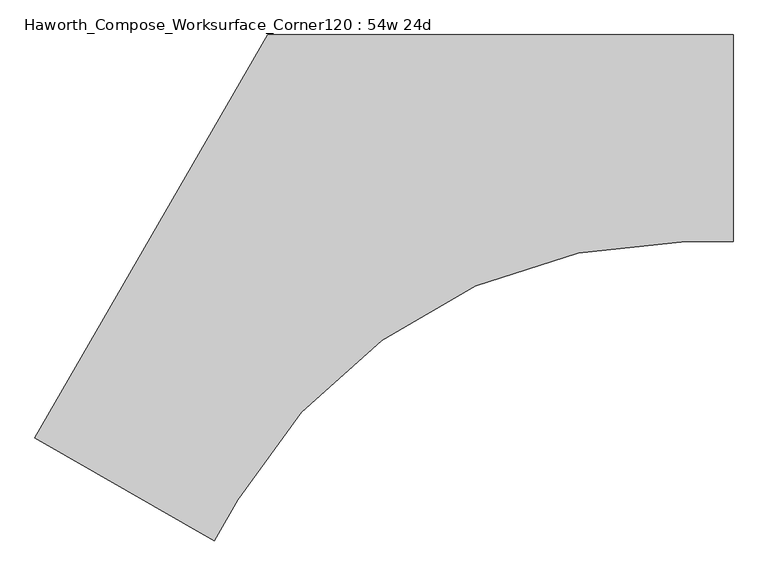
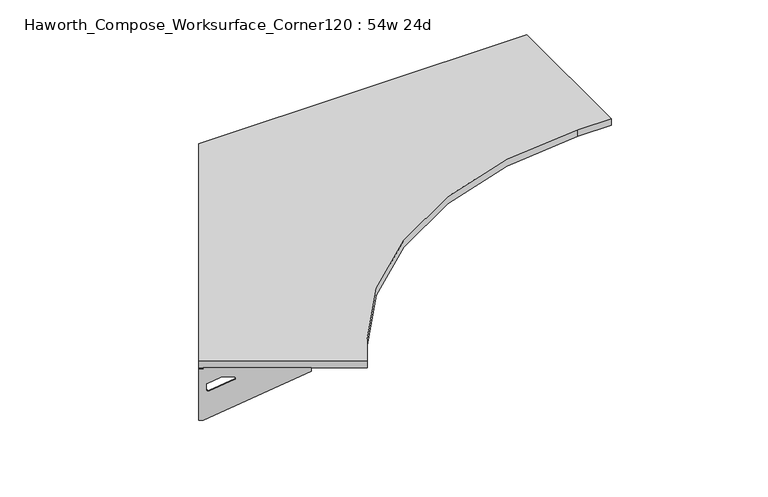
"""IFC4 building model written with IfcOpenShell, lengths in millimetres: furniture geometry, Haworth_Compose_Worksurface_Corner120 : 54w 24d."""

from ifc_helpers import new_model, si_unit, point, frame, frame_2d, origin, place, context, project, spatial, polyline, circle_curve, trimmed, segment, composite_curve, outline, extrude, source, transform, mapped, element, save
from ifc_brep_helpers import plane_surface, revolved_surface, advanced_brep


def haworth_compose_worksurface_corner120_54w_24d_09cba684(model_context):
    return source(origin(), model_context, "Body", "SolidModel", [
        advanced_brep(
        [(607.21875, 304.8, 473.86875), (607.21875, 288.925, 473.86875), (607.21875, -101.6, 690.1317568), (607.21875, -101.6, 702.46875), (607.21875, 288.925, 702.46875), (607.21875, 304.8, 702.46875), (607.21875, 221.490072, 664.36875), (607.21875, 177.8355284, 664.36875), (607.21875, 175.1564235, 654.7830539), (607.21875, 266.8776173, 603.9901439), (607.21875, 276.225, 609.5881969), (607.21875, 276.225, 633.0985246), (607.21875, 274.4730055, 635.9367776), (607.21875, 224.5663437, 663.5738425), (609.6, 304.8, 473.86875), (609.6, 304.8, 702.46875), (609.6, 288.925, 702.46875), (609.6, 288.925, 704.85), (609.6, -101.6, 704.85), (609.6, -101.6, 690.1317568), (609.6, 288.925, 473.86875), (609.6, 221.490072, 664.36875), (609.6, 224.5663437, 663.5738425), (609.6, 274.4730055, 635.9367776), (609.6, 276.225, 633.0985246), (609.6, 276.225, 609.5881969), (609.6, 266.8776173, 603.9901439), (609.6, 175.1564235, 654.7830539), (609.6, 177.8355284, 664.36875), (568.325, -101.6, 704.85), (568.325, -101.6, 702.46875), (568.325, 288.925, 702.46875), (568.325, 288.925, 704.85)],
        [
            (0, 1),
            (1, 2),
            (2, 3),
            (3, 4),
            (4, 5),
            (5, 0),
            (6, 7),
            (7, 8, circle_curve(frame((607.21875, 177.8355284, 659.2015106), z_axis=(1.0, 0.0, 0.0), x_axis=(0.0, -1.0, 0.0)), 5.1672394)),
            (8, 9),
            (9, 10, circle_curve(frame((607.21875, 269.875, 609.5881969), z_axis=(1.0, 0.0, 0.0), x_axis=(0.0, -1.0, 0.0)), 6.35)),
            (10, 11),
            (11, 12, circle_curve(frame((607.21875, 273.05, 633.0985246), z_axis=(1.0, 0.0, 0.0), x_axis=(0.0, -1.0, 0.0)), 3.175)),
            (12, 13),
            (13, 6, circle_curve(frame((607.21875, 221.490072, 658.01875), z_axis=(1.0, 0.0, 0.0), x_axis=(0.0, -1.0, 0.0)), 6.35)),
            (14, 15),
            (15, 16),
            (16, 17),
            (17, 18),
            (18, 19),
            (19, 20),
            (20, 14),
            (21, 22, circle_curve(frame((609.6, 221.490072, 658.01875), z_axis=(-1.0, 0.0, 0.0), x_axis=(0.0, -1.0, 0.0)), 6.35)),
            (22, 23),
            (23, 24, circle_curve(frame((609.6, 273.05, 633.0985246), z_axis=(-1.0, 0.0, 0.0), x_axis=(0.0, -1.0, 0.0)), 3.175)),
            (24, 25),
            (25, 26, circle_curve(frame((609.6, 269.875, 609.5881969), z_axis=(-1.0, 0.0, 0.0), x_axis=(0.0, -1.0, 0.0)), 6.35)),
            (26, 27),
            (27, 28, circle_curve(frame((609.6, 177.8355284, 659.2015106), z_axis=(-1.0, 0.0, 0.0), x_axis=(0.0, -1.0, 0.0)), 5.1672394)),
            (28, 21),
            (4, 16),
            (15, 5),
            (14, 0),
            (20, 1),
            (19, 2),
            (18, 29),
            (29, 30),
            (30, 3),
            (6, 21),
            (28, 7),
            (9, 26),
            (25, 10),
            (24, 11),
            (23, 12),
            (27, 8),
            (31, 4),
            (30, 31),
            (32, 29),
            (17, 32),
            (31, 32),
            (22, 13),
        ],
        [
            plane_surface(frame((607.21875, 304.8, 473.86875), z_axis=(-1.0, 0.0, 0.0), x_axis=(0.0, 1.0, 0.0))),
            plane_surface(frame((609.6, 304.8, 473.86875), z_axis=(1.0, 0.0, 0.0), x_axis=(0.0, -1.0, 0.0))),
            plane_surface(frame((609.6, -101.6, 702.46875), z_axis=(0.0, 0.0, 1.0), x_axis=(-1.0, 0.0, 0.0))),
            plane_surface(frame((609.6, 304.8, 702.46875), z_axis=(0.0, 1.0, 0.0), x_axis=(-1.0, 0.0, 0.0))),
            plane_surface(frame((609.6, 304.8, 473.86875), z_axis=(0.0, 0.0, -1.0), x_axis=(-1.0, 0.0, 0.0))),
            plane_surface(frame((609.6, 288.925, 473.86875), z_axis=(0.0, -0.4844522351345575, -0.8748177135112957), x_axis=(-1.0, 0.0, 0.0))),
            plane_surface(frame((609.6, -101.6, 690.1317568), z_axis=(0.0, -1.0, 0.0), x_axis=(-1.0, 0.0, 0.0))),
            plane_surface(frame((609.6, 221.490072, 664.36875), z_axis=(0.0, 0.0, -1.0), x_axis=(-1.0, 0.0, 0.0))),
            revolved_surface(polyline([(607.21875, 263.525, 609.5881969), (609.6, 263.525, 609.5881969)]), (609.6, 269.875, 609.5881969), (-1.0, 0.0, 0.0)),
            plane_surface(frame((609.6, 276.225, 609.5881969), z_axis=(0.0, -1.0, 0.0), x_axis=(-1.0, 0.0, 0.0))),
            revolved_surface(polyline([(607.21875, 269.875, 633.0985246), (609.6, 269.875, 633.0985246)]), (609.6, 273.05, 633.0985246), (-1.0, 0.0, 0.0)),
            revolved_surface(polyline([(607.21875, 172.668289, 659.2015106), (609.6, 172.668289, 659.2015106)]), (609.6, 177.8355284, 659.2015106), (-1.0, 0.0, 0.0)),
            plane_surface(frame((609.6, 288.925, 702.46875), z_axis=(0.0, 0.0, -1.0), x_axis=(-1.0, 0.0, 0.0))),
            plane_surface(frame((609.6, 288.925, 704.85), z_axis=(0.0, 0.0, 1.0), x_axis=(1.0, 0.0, 0.0))),
            plane_surface(frame((568.325, 288.925, 704.85), z_axis=(0.0, 1.0, 0.0), x_axis=(0.0, 0.0, -1.0))),
            plane_surface(frame((568.325, -101.6, 704.85), z_axis=(-1.0, 0.0, 0.0), x_axis=(0.0, 0.0, -1.0))),
            plane_surface(frame((609.6, 175.1564235, 654.7830539), z_axis=(0.0, 0.4844522351341526, 0.8748177135115199), x_axis=(-1.0, 0.0, 0.0))),
            plane_surface(frame((609.6, 274.4730055, 635.9367776), z_axis=(0.0, -0.48445223513456226, -0.874817713511293), x_axis=(-1.0, 0.0, 0.0))),
            revolved_surface(polyline([(607.21875, 215.140072, 658.01875), (609.6, 215.140072, 658.01875)]), (609.6, 221.490072, 658.01875), (-1.0, 0.0, 0.0)),
        ],
        [
            (0, [[1, 2, 3, 4, 5, 6], [7, 8, 9, 10, 11, 12, 13, 14]]),
            (1, [[15, 16, 17, 18, 19, 20, 21], [22, 23, 24, 25, 26, 27, 28, 29]]),
            (2, [[-5, 30, -16, 31]]),
            (3, [[-31, -15, 32, -6]]),
            (4, [[-32, -21, 33, -1]]),
            (5, [[-33, -20, 34, -2]]),
            (6, [[-34, -19, 35, 36, 37, -3]]),
            (7, [[38, -29, 39, -7]]),
            (8, [[40, -26, 41, -10]]),
            (9, [[-41, -25, 42, -11]]),
            (10, [[-42, -24, 43, -12]]),
            (11, [[-39, -28, 44, -8]]),
            (12, [[45, -4, -37, 46]]),
            (13, [[47, -35, -18, 48]]),
            (14, [[-17, -30, -45, 49, -48]]),
            (15, [[-36, -47, -49, -46]]),
            (16, [[-44, -27, -40, -9]]),
            (17, [[-43, -23, 50, -13]]),
            (18, [[-50, -22, -38, -14]]),
        ],
    ),
        advanced_brep(
        [(-1446.609375, -880.9782208, 473.86875), (-1446.609375, -880.9782208, 702.46875), (-1432.8612217, -888.9157208, 702.46875), (-1094.6566509, -1084.1782208, 702.46875), (-1094.6566509, -1084.1782208, 690.1317568), (-1432.8612217, -888.9157208, 473.86875), (-1374.460861, -922.6331848, 664.36875), (-1377.1249904, -921.095049, 663.5738425), (-1420.3454274, -896.1417181, 635.9367776), (-1421.8626991, -895.2657208, 633.0985246), (-1421.8626991, -895.2657208, 609.5881969), (-1413.7676282, -899.9394122, 603.9901439), (-1334.3347443, -945.8000091, 654.7830539), (-1336.6549172, -944.4604566, 664.36875), (-1447.8, -883.0404438, 473.86875), (-1434.0518467, -890.9779438, 473.86875), (-1095.8472759, -1086.2404438, 690.1317568), (-1095.8472759, -1086.2404438, 704.85), (-1434.0518467, -890.9779438, 704.85), (-1434.0518467, -890.9779438, 702.46875), (-1447.8, -883.0404438, 702.46875), (-1375.651486, -924.6954078, 664.36875), (-1337.8455422, -946.5226796, 664.36875), (-1335.5253693, -947.8622321, 654.7830539), (-1414.9582532, -902.0016352, 603.9901439), (-1423.0533241, -897.3279438, 609.5881969), (-1423.0533241, -897.3279438, 633.0985246), (-1421.5360524, -898.2039411, 635.9367776), (-1378.3156154, -923.157272, 663.5738425), (-1075.2097759, -1050.4952453, 702.46875), (-1075.2097759, -1050.4952453, 704.85), (-1413.4143467, -855.2327453, 702.46875), (-1413.4143467, -855.2327453, 704.85)],
        [
            (0, 1),
            (1, 2),
            (2, 3),
            (3, 4),
            (4, 5),
            (5, 0),
            (6, 7, circle_curve(frame((-1374.460861, -922.6331848, 658.01875), z_axis=(-0.5000000000000026, -0.8660254037844374, 0.0), x_axis=(0.8660254037844372, -0.5000000000000024, 0.0)), 6.35)),
            (7, 8),
            (8, 9, circle_curve(frame((-1419.1130684, -896.8532208, 633.0985246), z_axis=(-0.5000000000000026, -0.8660254037844374, 0.0), x_axis=(0.8660254037844372, -0.5000000000000024, 0.0)), 3.175)),
            (9, 10),
            (10, 11, circle_curve(frame((-1416.3634378, -898.4407208, 609.5881969), z_axis=(-0.5000000000000026, -0.8660254037844374, 0.0), x_axis=(0.8660254037844372, -0.5000000000000024, 0.0)), 6.35)),
            (11, 12),
            (12, 13, circle_curve(frame((-1336.6549172, -944.4604566, 659.2015106), z_axis=(-0.5000000000000026, -0.8660254037844374, 0.0), x_axis=(0.8660254037844372, -0.5000000000000024, 0.0)), 5.1672394)),
            (13, 6),
            (14, 15),
            (15, 16),
            (16, 17),
            (17, 18),
            (18, 19),
            (19, 20),
            (20, 14),
            (21, 22),
            (22, 23, circle_curve(frame((-1337.8455422, -946.5226796, 659.2015106), z_axis=(0.5000000000000026, 0.8660254037844374, 0.0), x_axis=(0.8660254037844372, -0.5000000000000024, 0.0)), 5.1672394)),
            (23, 24),
            (24, 25, circle_curve(frame((-1417.5540628, -900.5029438, 609.5881969), z_axis=(0.5000000000000026, 0.8660254037844374, 0.0), x_axis=(0.8660254037844372, -0.5000000000000024, 0.0)), 6.35)),
            (25, 26),
            (26, 27, circle_curve(frame((-1420.3036934, -898.9154438, 633.0985246), z_axis=(0.5000000000000026, 0.8660254037844374, 0.0), x_axis=(0.8660254037844372, -0.5000000000000024, 0.0)), 3.175)),
            (27, 28),
            (28, 21, circle_curve(frame((-1375.651486, -924.6954078, 658.01875), z_axis=(0.5000000000000026, 0.8660254037844374, 0.0), x_axis=(0.8660254037844372, -0.5000000000000024, 0.0)), 6.35)),
            (1, 20),
            (19, 2),
            (0, 14),
            (5, 15),
            (4, 16),
            (3, 29),
            (29, 30),
            (30, 17),
            (13, 22),
            (21, 6),
            (10, 25),
            (24, 11),
            (9, 26),
            (8, 27),
            (12, 23),
            (31, 29),
            (2, 31),
            (32, 18),
            (30, 32),
            (32, 31),
            (7, 28),
        ],
        [
            plane_surface(frame((-1446.609375, -880.9782208, 473.86875), z_axis=(0.5000000000000026, 0.8660254037844373, 0.0), x_axis=(-0.8660254037844373, 0.5000000000000026, 0.0))),
            plane_surface(frame((-1447.8, -883.0404438, 473.86875), z_axis=(-0.5000000000000026, -0.8660254037844373, 0.0), x_axis=(0.8660254037844373, -0.5000000000000026, 0.0))),
            plane_surface(frame((-1095.8472759, -1086.2404438, 702.46875), z_axis=(0.0, 0.0, 1.0), x_axis=(0.5000000000000011, 0.866025403784438, 0.0))),
            plane_surface(frame((-1447.8, -883.0404438, 702.46875), z_axis=(-0.866025403784438, 0.5000000000000011, 0.0), x_axis=(0.5000000000000011, 0.866025403784438, 0.0))),
            plane_surface(frame((-1447.8, -883.0404438, 473.86875), z_axis=(0.0, 0.0, -1.0), x_axis=(0.5000000000000011, 0.866025403784438, 0.0))),
            plane_surface(frame((-1434.0518467, -890.9779438, 473.86875), z_axis=(0.41954794254667943, -0.24222611756727808, -0.8748177135112957), x_axis=(0.5000000000000011, 0.866025403784438, 0.0))),
            plane_surface(frame((-1095.8472759, -1086.2404438, 690.1317568), z_axis=(0.866025403784438, -0.5000000000000011, 0.0), x_axis=(0.5000000000000011, 0.866025403784438, 0.0))),
            plane_surface(frame((-1375.651486, -924.6954078, 664.36875), z_axis=(0.0, 0.0, -1.0), x_axis=(0.5000000000000011, 0.866025403784438, 0.0))),
            revolved_surface(polyline([(-1410.864176479327, -901.615720795734, 609.5881969), (-1412.0548014983856, -903.6779438215062, 609.5881969)]), (-1417.5540628, -900.5029438, 609.5881969), (0.5000000000000024, 0.8660254037844372, 0.0)),
            plane_surface(frame((-1423.0533241, -897.3279438, 609.5881969), z_axis=(0.866025403784438, -0.5000000000000011, 0.0), x_axis=(0.5000000000000011, 0.866025403784438, 0.0))),
            revolved_surface(polyline([(-1416.36343773985, -898.4407208018096, 633.0985246), (-1417.5540627864536, -900.5029438752912, 633.0985246)]), (-1420.3036934, -898.9154438, 633.0985246), (0.5000000000000024, 0.8660254037844372, 0.0)),
            revolved_surface(polyline([(-1332.17995660903, -947.0440763018096, 659.2015106), (-1333.3705816345157, -949.1062993387139, 659.2015106)]), (-1337.8455422, -946.5226796, 659.2015106), (0.5000000000000024, 0.8660254037844372, 0.0)),
            plane_surface(frame((-1434.0518467, -890.9779438, 702.46875), z_axis=(0.0, 0.0, -1.0), x_axis=(0.5000000000000011, 0.866025403784438, 0.0))),
            plane_surface(frame((-1434.0518467, -890.9779438, 704.85), z_axis=(0.0, 0.0, 1.0), x_axis=(-0.5000000000000011, -0.866025403784438, 0.0))),
            plane_surface(frame((-1413.4143467, -855.2327453, 704.85), z_axis=(-0.866025403784438, 0.5000000000000011, 0.0), x_axis=(0.0, 0.0, -1.0))),
            plane_surface(frame((-1075.2097759, -1050.4952453, 704.85), z_axis=(0.5000000000000011, 0.866025403784438, 0.0), x_axis=(0.0, 0.0, -1.0))),
            plane_surface(frame((-1335.5253693, -947.8622321, 654.7830539), z_axis=(-0.41954794254632877, 0.24222611756707563, 0.87481771351152), x_axis=(0.5000000000000011, 0.866025403784438, 0.0))),
            plane_surface(frame((-1421.5360524, -898.2039411, 635.9367776), z_axis=(0.4195479425466836, -0.24222611756728046, -0.874817713511293), x_axis=(0.5000000000000011, 0.866025403784438, 0.0))),
            revolved_surface(polyline([(-1368.9615996828345, -925.8081848018096, 658.01875), (-1370.1522246973336, -927.8704078196846, 658.01875)]), (-1375.651486, -924.6954078, 658.01875), (0.5000000000000024, 0.8660254037844372, 0.0)),
        ],
        [
            (0, [[1, 2, 3, 4, 5, 6], [7, 8, 9, 10, 11, 12, 13, 14]]),
            (1, [[15, 16, 17, 18, 19, 20, 21], [22, 23, 24, 25, 26, 27, 28, 29]]),
            (2, [[30, -20, 31, -2]]),
            (3, [[-1, 32, -21, -30]]),
            (4, [[-6, 33, -15, -32]]),
            (5, [[-5, 34, -16, -33]]),
            (6, [[-4, 35, 36, 37, -17, -34]]),
            (7, [[-14, 38, -22, 39]]),
            (8, [[-11, 40, -25, 41]]),
            (9, [[-10, 42, -26, -40]]),
            (10, [[-9, 43, -27, -42]]),
            (11, [[-13, 44, -23, -38]]),
            (12, [[45, -35, -3, 46]]),
            (13, [[47, -18, -37, 48]]),
            (14, [[-47, 49, -46, -31, -19]]),
            (15, [[-45, -49, -48, -36]]),
            (16, [[-12, -41, -24, -44]]),
            (17, [[-8, 50, -28, -43]]),
            (18, [[-7, -39, -29, -50]]),
        ],
    ),
        extrude(outline(composite_curve([segment(polyline([(-1447.8, -883.0404438), (-762.0, 304.8), (609.6, 304.8), (609.6, -304.8), (469.8345343, -304.8)]), True, "CONTINUOUS"), segment(trimmed(circle_curve(frame_2d((469.8345343, -1828.8)), 1524.0), [point((469.8345343, -304.8))], [point((-849.988181, -1066.8))], True, "CARTESIAN"), True, "CONTINUOUS"), segment(polyline([(-849.988181, -1066.8), (-919.8709139, -1187.8404438), (-1447.8, -883.0404438)]), True, "CONTINUOUS")], self_intersect=False)), frame((0.0, 0.0, 706.4375), z_axis=(0.0, 0.0, 1.0), x_axis=(1.0, 0.0, 0.0)), (0.0, 0.0, 1.0), 30.1625),
    ])


if __name__ == "__main__":
    model = new_model("IFC4")
    model_context = context("Model", 3, world=origin())
    ifc_project = project(units=[si_unit("LENGTHUNIT", "METRE", prefix="MILLI")], contexts=[model_context])
    site = spatial("IfcSite", under=ifc_project)
    building = spatial("IfcBuilding", under=site)
    placement = place(None, origin())
    haworth_compose_worksurface_corner120_54w_24d_shape = haworth_compose_worksurface_corner120_54w_24d_09cba684(model_context)
    element("IfcFurniture", 1, ObjectType="Haworth_Compose_Worksurface_Corner120 : 54w 24d", at=placement, inside=building, context=model_context, shape_type="MappedRepresentation", body=[
        mapped(haworth_compose_worksurface_corner120_54w_24d_shape, transform((0.0, 0.0, 0.0), x_axis=(1.0, 0.0, 0.0), y_axis=(0.0, 1.0, 0.0), z_axis=(0.0, 0.0, 1.0))),
    ])
    save(model, "model.ifc")
